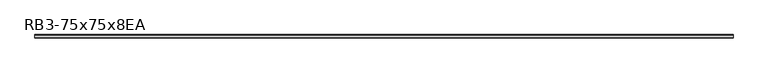
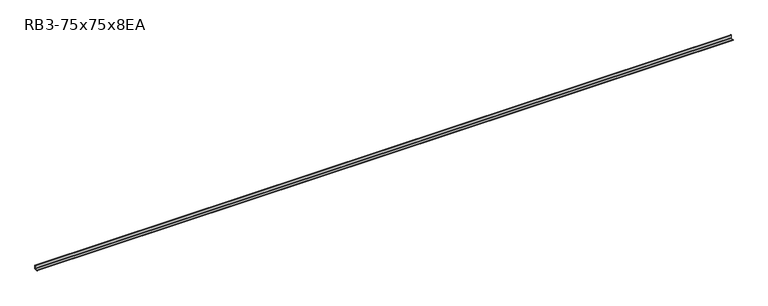
"""IFC4 building model written with IfcOpenShell, lengths in millimetres: member geometry, RB3-75x75x8EA."""

from ifc_helpers import new_model, si_unit, point, frame, frame_2d, origin, place, context, project, spatial, polyline, circle_curve, trimmed, segment, composite_curve, outline, extrude, source, transform, mapped, element, save


def rb3_75x75x8ea_2de48bd0(model_context):
    return source(origin(), model_context, "Body", "SweptSolid", [
        extrude(outline(composite_curve([segment(polyline([(21.3, -21.3), (-53.7, -21.3), (-53.7, -18.3)]), True, "CONTINUOUS"), segment(trimmed(circle_curve(frame_2d((-48.7, -18.3)), 5.0), [point((-53.7, -18.3))], [point((-48.7, -13.3))], False, "CARTESIAN"), True, "CONTINUOUS"), segment(polyline([(-48.7, -13.3), (5.3, -13.3)]), True, "CONTINUOUS"), segment(trimmed(circle_curve(frame_2d((5.3, -5.3)), 8.0), [point((5.3, -13.3))], [point((13.3, -5.3))], True, "CARTESIAN"), True, "CONTINUOUS"), segment(polyline([(13.3, -5.3), (13.3, 48.7)]), True, "CONTINUOUS"), segment(trimmed(circle_curve(frame_2d((18.3, 48.7)), 5.0), [point((13.3, 48.7))], [point((18.3, 53.7))], False, "CARTESIAN"), True, "CONTINUOUS"), segment(polyline([(18.3, 53.7), (21.3, 53.7), (21.3, -21.3)]), True, "CONTINUOUS")], self_intersect=False)), frame((-7366.0, 0.0, 0.0), z_axis=(1.0, 0.0, 0.0), x_axis=(0.0, 1.0, 0.0)), (0.0, 0.0, 1.0), 14605.5572731),
    ])


if __name__ == "__main__":
    model = new_model("IFC4")
    model_context = context("Model", 3, world=origin())
    ifc_project = project(units=[si_unit("LENGTHUNIT", "METRE", prefix="MILLI")], contexts=[model_context])
    site = spatial("IfcSite", under=ifc_project)
    building = spatial("IfcBuilding", under=site)
    placement = place(None, origin())
    rb3_75x75x8ea_shape = rb3_75x75x8ea_2de48bd0(model_context)
    element("IfcMember", 1, ObjectType="RB3-75x75x8EA", at=placement, inside=building, context=model_context, shape_type="MappedRepresentation", body=[
        mapped(rb3_75x75x8ea_shape, transform((0.0, 0.0, 0.0), x_axis=(1.0, 0.0, 0.0), y_axis=(0.0, 1.0, 0.0), z_axis=(0.0, 0.0, 1.0))),
    ])
    save(model, "model.ifc")
